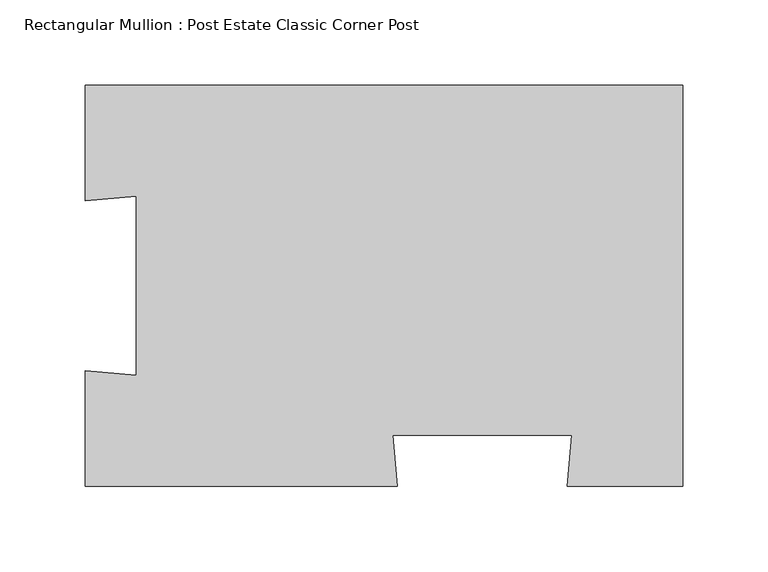
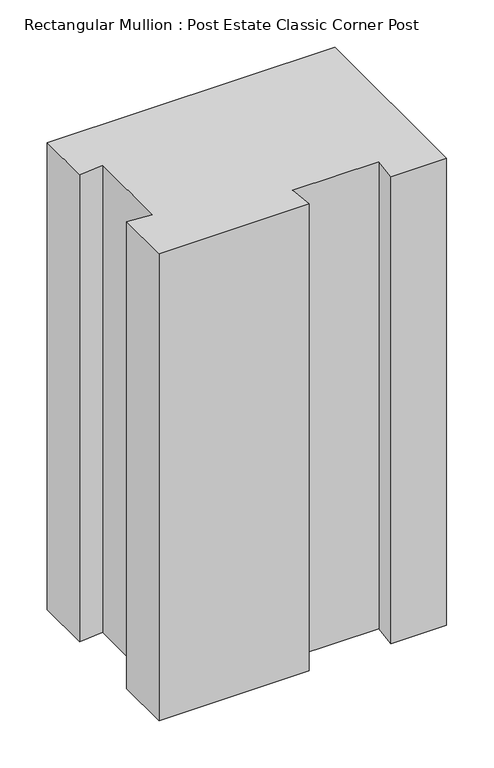
"""IFC4 building model written with IfcOpenShell, lengths in millimetres: member geometry, Rectangular Mullion : Post Estate Classic Corner Post."""

from ifc_helpers import new_model, si_unit, frame, origin, place, context, project, spatial, polyline, outline, extrude, source, transform, mapped, element, save


def rectangular_mullion_post_estate_classic_corner_post_6fca07a5(model_context):
    return source(origin(), model_context, "Body", "SweptSolid", [
        extrude(outline(polyline([(-67.5100885, -117.3653397), (-64.8954163, -87.4794988), (-169.8954163, -87.4794988), (-167.280744, -117.3653397), (-350.0, -117.3653397), (-350.0, -49.8853277), (-320.1141591, -52.5), (-320.1141591, 52.5), (-350.0, 49.8853277), (-350.0, 117.4347283), (0.0, 117.4347283), (0.0, -117.3653397), (-67.5100885, -117.3653397)])), frame((0.0, 0.0, -600.0), z_axis=(0.0, 0.0, 1.0), x_axis=(1.0, 0.0, 0.0)), (0.0, 0.0, 1.0), 600.0),
    ])


if __name__ == "__main__":
    model = new_model("IFC4")
    model_context = context("Model", 3, world=origin())
    ifc_project = project(units=[si_unit("LENGTHUNIT", "METRE", prefix="MILLI")], contexts=[model_context])
    site = spatial("IfcSite", under=ifc_project)
    building = spatial("IfcBuilding", under=site)
    placement = place(None, origin())
    rectangular_mullion_post_estate_classic_corner_post_shape = rectangular_mullion_post_estate_classic_corner_post_6fca07a5(model_context)
    element("IfcMember", 1, ObjectType="Rectangular Mullion : Post Estate Classic Corner Post", at=placement, inside=building, context=model_context, shape_type="MappedRepresentation", body=[
        mapped(rectangular_mullion_post_estate_classic_corner_post_shape, transform((0.0, 0.0, 0.0), x_axis=(1.0, 0.0, 0.0), y_axis=(0.0, 1.0, 0.0), z_axis=(0.0, 0.0, 1.0))),
    ])
    save(model, "model.ifc")
